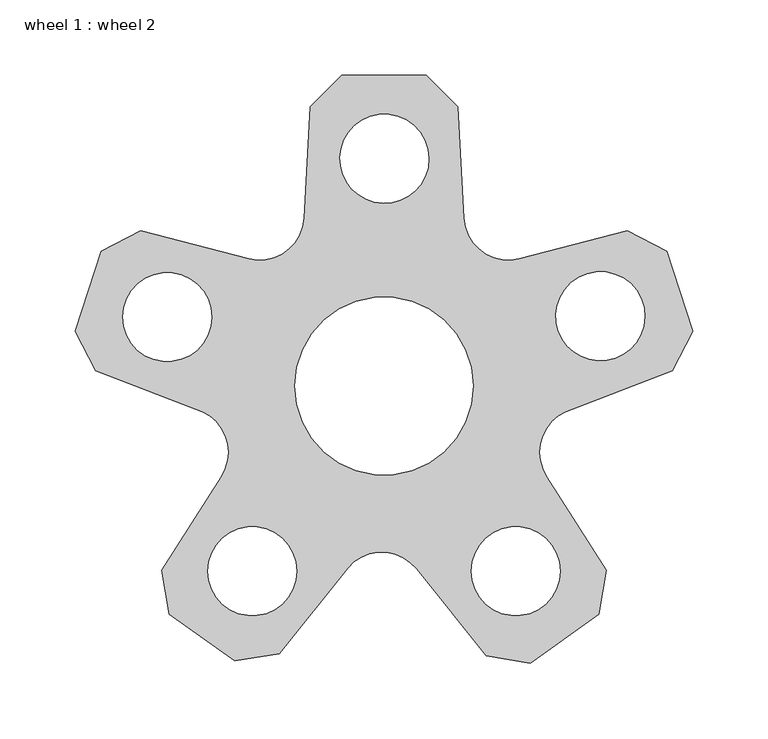
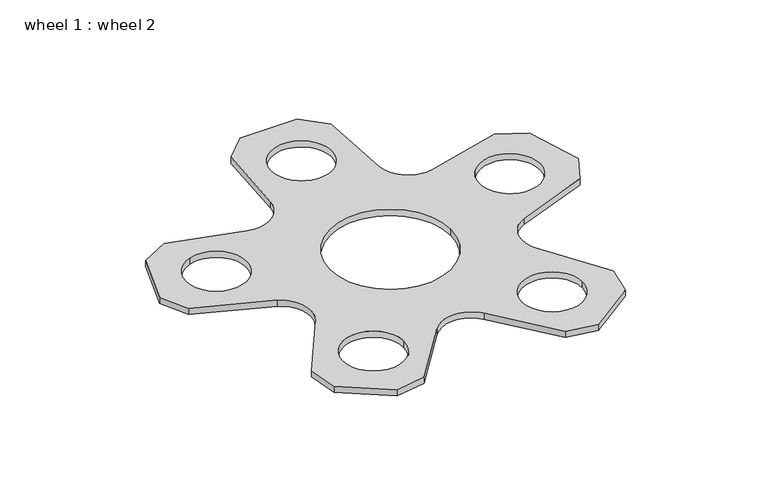
"""IFC4 building model written with IfcOpenShell, lengths in millimetres: proxy geometry, wheel 1 : wheel 2."""

from ifc_helpers import new_model, si_unit, point, frame_2d, origin, origin_with_axes, place, context, project, spatial, polyline, circle_curve, trimmed, segment, composite_curve, outline, extrude, source, transform, mapped, element, save


def wheel_1_wheel_2_7806bc1e(model_context):
    return source(origin(), model_context, "Body", "SweptSolid", [
        extrude(outline(composite_curve([segment(polyline([(94.1955392, 245.375627), (98.2765427, 319.0272089), (119.1339118, 339.8845779), (174.8886461, 339.8845779), (195.7460152, 319.0272089), (199.8270187, 245.375627)]), True, "CONTINUOUS"), segment(trimmed(circle_curve(frame_2d((229.2786161, 247.0075278)), 29.4967742), [point((199.8270187, 245.375627))], [point((236.7040524, 218.4606788))], True, "CARTESIAN"), True, "CONTINUOUS"), segment(polyline([(236.7040524, 218.4606788), (308.0930692, 237.0299647), (334.3166381, 223.5249982), (351.3159609, 170.4249659), (337.8109944, 144.201397), (267.294183, 117.2407525)]), True, "CONTINUOUS"), segment(trimmed(circle_curve(frame_2d((279.4660949, 90.3724766)), 29.4967742), [point((267.294183, 117.2407525))], [point((254.5502523, 74.5844913))], True, "CARTESIAN"), True, "CONTINUOUS"), segment(polyline([(254.5502523, 74.5844913), (294.0323244, 12.2757753), (289.1801935, -16.8191815), (243.80748, -49.2214542), (214.7125232, -44.3693233), (168.5882815, 13.1959825)]), True, "CONTINUOUS"), segment(trimmed(circle_curve(frame_2d((145.5692211, -5.2480558)), 29.4967742), [point((168.5882815, 13.1959825))], [point((122.9065252, 13.6321429))], True, "CARTESIAN"), True, "CONTINUOUS"), segment(polyline([(122.9065252, 13.6321429), (77.557769, -42.9653192), (48.2895259, -47.8463488), (4.8423645, -16.8191815), (-0.0097664, 12.2757753), (39.4723056, 74.5844913)]), True, "CONTINUOUS"), segment(trimmed(circle_curve(frame_2d((14.5564631, 90.3724766)), 29.4967742), [point((39.4723056, 74.5844913))], [point((26.7283749, 117.2407525))], True, "CARTESIAN"), True, "CONTINUOUS"), segment(polyline([(26.7283749, 117.2407525), (-43.7884365, 144.201397), (-57.293403, 170.4249659), (-40.2940802, 223.5249982), (-14.0705112, 237.0299647), (57.3185056, 218.4606788)]), True, "CONTINUOUS"), segment(trimmed(circle_curve(frame_2d((64.7439419, 247.0075278)), 29.4967742), [point((57.3185056, 218.4606788))], [point((94.1955392, 245.375627))], True, "CARTESIAN"), True, "CONTINUOUS")], self_intersect=False), holes=[composite_curve([segment(trimmed(circle_curve(frame_2d((59.7616822, 11.6156945)), 29.4967742), [point((30.264908, 11.6156945))], [point((89.2584564, 11.6156945))], True, "CARTESIAN"), True, "CONTINUOUS"), segment(trimmed(circle_curve(frame_2d((59.7616822, 11.6156945)), 29.4967742), [point((89.2584564, 11.6156945))], [point((30.264908, 11.6156945))], True, "CARTESIAN"), True, "CONTINUOUS")], self_intersect=False), composite_curve([segment(trimmed(circle_curve(frame_2d((234.2608757, 11.6156945)), 29.4967742), [point((263.7576499, 11.6156945))], [point((204.7641016, 11.6156945))], True, "CARTESIAN"), True, "CONTINUOUS"), segment(trimmed(circle_curve(frame_2d((234.2608757, 11.6156945)), 29.4967742), [point((204.7641016, 11.6156945))], [point((263.7576499, 11.6156945))], True, "CARTESIAN"), True, "CONTINUOUS")], self_intersect=False), composite_curve([segment(trimmed(circle_curve(frame_2d((290.2924266, 180.4649805)), 29.4967742), [point((313.9372407, 162.8302858))], [point((266.6476126, 198.0996752))], True, "CARTESIAN"), True, "CONTINUOUS"), segment(trimmed(circle_curve(frame_2d((290.2924266, 180.4649805)), 29.4967742), [point((266.6476126, 198.0996752))], [point((313.9372407, 162.8302858))], True, "CARTESIAN"), True, "CONTINUOUS")], self_intersect=False), composite_curve([segment(trimmed(circle_curve(frame_2d((147.3016338, 284.8277612)), 29.4967742), [point((123.2974179, 301.9700278))], [point((171.3058498, 267.6854946))], True, "CARTESIAN"), True, "CONTINUOUS"), segment(trimmed(circle_curve(frame_2d((147.3016338, 284.8277612)), 29.4967742), [point((171.3058498, 267.6854946))], [point((123.2974179, 301.9700278))], True, "CARTESIAN"), True, "CONTINUOUS")], self_intersect=False), composite_curve([segment(trimmed(circle_curve(frame_2d((3.553076, 179.9119207)), 29.4967742), [point((-5.4542218, 207.9997877))], [point((12.5603738, 151.8240537))], True, "CARTESIAN"), True, "CONTINUOUS"), segment(trimmed(circle_curve(frame_2d((3.553076, 179.9119207)), 29.4967742), [point((12.5603738, 151.8240537))], [point((-5.4542218, 207.9997877))], True, "CARTESIAN"), True, "CONTINUOUS")], self_intersect=False), composite_curve([segment(trimmed(circle_curve(frame_2d((147.011279, 134.2904108)), 58.9935484), [point((206.0048274, 134.2904108))], [point((88.0177306, 134.2904108))], True, "CARTESIAN"), True, "CONTINUOUS"), segment(trimmed(circle_curve(frame_2d((147.011279, 134.2904108)), 58.9935484), [point((88.0177306, 134.2904108))], [point((206.0048274, 134.2904108))], True, "CARTESIAN"), True, "CONTINUOUS")], self_intersect=False)]), origin_with_axes(), (0.0, 0.0, 1.0), 6.35),
    ])


if __name__ == "__main__":
    model = new_model("IFC4")
    model_context = context("Model", 3, world=origin())
    ifc_project = project(units=[si_unit("LENGTHUNIT", "METRE", prefix="MILLI")], contexts=[model_context])
    site = spatial("IfcSite", under=ifc_project)
    building = spatial("IfcBuilding", under=site)
    placement = place(None, origin())
    wheel_1_wheel_2_shape = wheel_1_wheel_2_7806bc1e(model_context)
    element("IfcBuildingElementProxy", 1, Name="wheel 1 : wheel 2", ObjectType="wheel 1 : wheel 2", at=placement, inside=building, context=model_context, shape_type="MappedRepresentation", body=[
        mapped(wheel_1_wheel_2_shape, transform((0.0, 0.0, 0.0), x_axis=(1.0, 0.0, 0.0), y_axis=(0.0, 1.0, 0.0), z_axis=(0.0, 0.0, 1.0))),
    ])
    save(model, "model.ifc")
